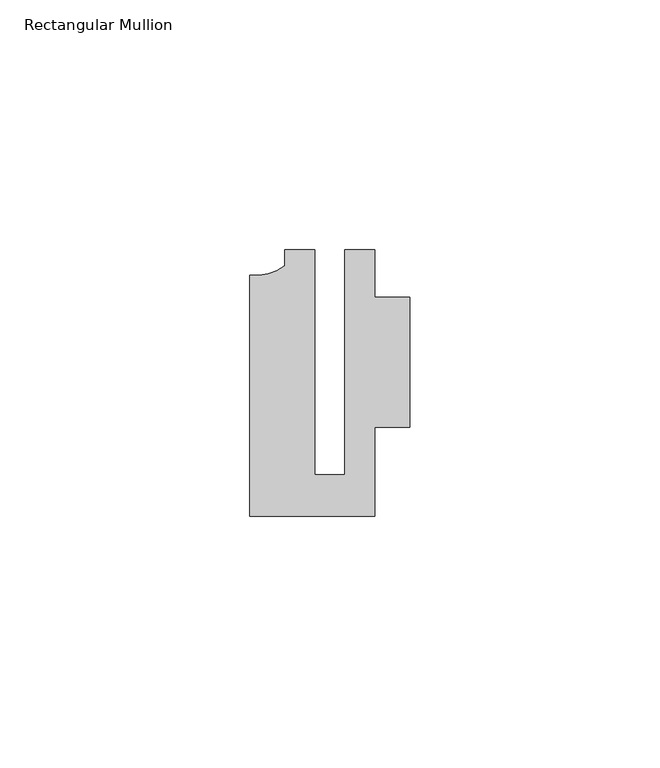
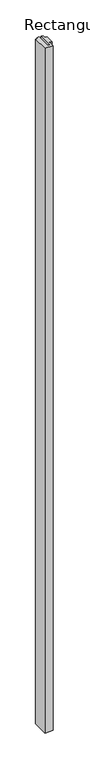
"""IFC4 building model written with IfcOpenShell, lengths in millimetres: member geometry, Rectangular Mullion."""

from ifc_helpers import new_model, si_unit, point, frame, frame_2d, origin, place, context, project, spatial, polyline, circle_curve, trimmed, segment, composite_curve, outline, extrude, source, transform, mapped, element, save


def rectangular_mullion_df4676fb(model_context):
    return source(origin(), model_context, "Body", "SweptSolid", [
        extrude(outline(composite_curve([segment(polyline([(-2.9999659, -24.5130805), (2.9999676, -24.5130805), (2.9999676, 20.5039877), (8.9999842, 20.5039877), (8.9999842, 11.0039877), (15.9999391, 11.0039877), (15.9999391, -14.9953356), (9.0, -14.9953356), (9.0, -32.7960123), (-15.9999391, -32.7960123), (-15.9999391, 15.3837352)]), True, "CONTINUOUS"), segment(trimmed(circle_curve(frame_2d((-15.1098019, 25.802169)), 10.4563907), [point((-15.9999391, 15.3837352))], [point((-9.0, 17.3165089))], True, "CARTESIAN"), True, "CONTINUOUS"), segment(polyline([(-9.0, 17.3165089), (-9.0, 20.5039877), (-2.9999659, 20.5039877), (-2.9999659, -24.5130805)]), True, "CONTINUOUS")], self_intersect=False)), frame((0.0, 0.0, -2200.0), z_axis=(0.0, 0.0, 1.0), x_axis=(1.0, 0.0, 0.0)), (0.0, 0.0, 1.0), 2200.0),
    ])


if __name__ == "__main__":
    model = new_model("IFC4")
    model_context = context("Model", 3, world=origin())
    ifc_project = project(units=[si_unit("LENGTHUNIT", "METRE", prefix="MILLI")], contexts=[model_context])
    site = spatial("IfcSite", under=ifc_project)
    building = spatial("IfcBuilding", under=site)
    placement = place(None, origin())
    rectangular_mullion_shape = rectangular_mullion_df4676fb(model_context)
    element("IfcMember", 1, ObjectType="Rectangular Mullion", at=placement, inside=building, context=model_context, shape_type="MappedRepresentation", body=[
        mapped(rectangular_mullion_shape, transform((0.0, 0.0, 0.0), x_axis=(1.0, 0.0, 0.0), y_axis=(0.0, 1.0, 0.0), z_axis=(0.0, 0.0, 1.0))),
    ])
    save(model, "model.ifc")
